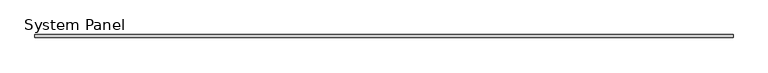
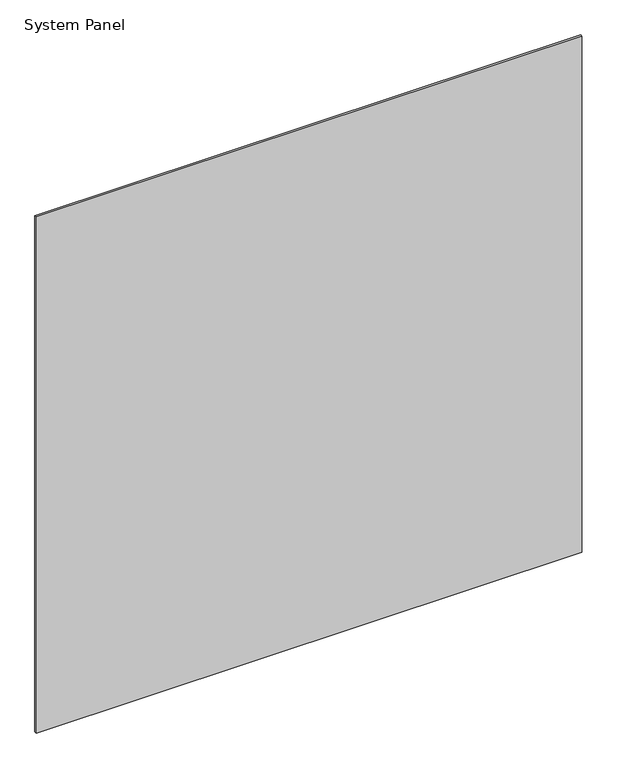
"""IFC4 building model written with IfcOpenShell, lengths in millimetres: plate geometry, System Panel."""

import ifcopenshell
import ifcopenshell.guid

model = None  # the IFC model being written
_history = None  # IfcOwnerHistory: only IFC2X3 demands one
_inside = {}  # id of a spatial element -> (the spatial element, [elements in it])
_under = {}  # id of a project, library or spatial element -> (it, [spatial elements below it])
_declared = {}  # id of a project -> (the project, [libraries it declares])
_typed = {}  # id of a type object -> (the type object, [elements of that type])
_made_of = {}  # id of a material, layer set ... -> (it, [elements and type objects made of it])


def new_model(schema):
    """Start an empty IFC model of exactly this schema.

    Asked for "IFC4X3", IfcOpenShell would pick the latest addendum, in which some entities
    have other attributes; the version numbers below select the first issue.
    IFC2X3 requires an IfcOwnerHistory on every rooted entity: one is made here for all.
    """
    global model, _history
    if schema == "IFC4X3":
        model = ifcopenshell.file(schema_version=(4, 3, 0, 0))
    else:
        model = ifcopenshell.file(schema=schema)
    _inside.clear()
    _under.clear()
    _declared.clear()
    _typed.clear()
    _made_of.clear()
    _history = None
    if model.schema == "IFC2X3":
        org = make("IfcOrganization", Name="unknown")
        user = make(
            "IfcPersonAndOrganization",
            ThePerson=make("IfcPerson", FamilyName="unknown"),
            TheOrganization=org,
        )
        app = make(
            "IfcApplication",
            ApplicationDeveloper=org,
            Version="unknown",
            ApplicationFullName="unknown",
            ApplicationIdentifier="unknown",
        )
        _history = make(
            "IfcOwnerHistory",
            OwningUser=user,
            OwningApplication=app,
            ChangeAction="ADDED",
            CreationDate=0,
        )
    return model


def make(cls, **values):
    """One entity of the class cls with the attributes given. An attribute that is None is left unset."""
    return model.create_entity(
        cls, **{name: value for name, value in values.items() if value is not None}
    )


def rooted(cls, **values):
    """An entity with a GlobalId (a new one), such as an element, a storey or a relation."""
    return make(cls, GlobalId=ifcopenshell.guid.new(), OwnerHistory=_history, **values)


def si_unit(unit_type, name, prefix=None):
    """IfcSIUnit, for example si_unit("LENGTHUNIT", "METRE", prefix="MILLI")."""
    return make("IfcSIUnit", UnitType=unit_type, Prefix=prefix, Name=name)


def assignment(units):
    """IfcUnitAssignment: the units of a project."""
    return None if units is None else make("IfcUnitAssignment", Units=units)


def point(xyz):
    """IfcCartesianPoint."""
    return None if xyz is None else make("IfcCartesianPoint", Coordinates=xyz)


def direction(xyz):
    """IfcDirection."""
    return None if xyz is None else make("IfcDirection", DirectionRatios=xyz)


def frame(location, z_axis=None, x_axis=None):
    """IfcAxis2Placement3D, a coordinate frame: its origin and axes. An axis left out is left unset."""
    return make(
        "IfcAxis2Placement3D",
        Location=point(location),
        Axis=direction(z_axis),
        RefDirection=direction(x_axis),
    )


def origin():
    """The frame at (0, 0, 0) with its axes left unset."""
    return frame((0.0, 0.0, 0.0))


def origin_with_axes():
    """The frame at (0, 0, 0) with the z axis (0, 0, 1) and the x axis (1, 0, 0) written out."""
    return frame((0.0, 0.0, 0.0), z_axis=(0.0, 0.0, 1.0), x_axis=(1.0, 0.0, 0.0))


def place(relative_to, where):
    """IfcLocalPlacement: puts the frame where relative to a parent placement (None: the world)."""
    return make(
        "IfcLocalPlacement", PlacementRelTo=relative_to, RelativePlacement=where
    )


def context(
    kind, dimensions, precision=None, world=None, true_north=None, identifier=None
):
    """IfcGeometricRepresentationContext, for example the 3D "Model" context."""
    return make(
        "IfcGeometricRepresentationContext",
        ContextIdentifier=identifier,
        ContextType=kind,
        CoordinateSpaceDimension=dimensions,
        Precision=precision,
        WorldCoordinateSystem=world,
        TrueNorth=true_north,
    )


def project(units=None, contexts=None):
    """IfcProject with its units and contexts."""
    return rooted(
        "IfcProject",
        Name="project",
        RepresentationContexts=contexts,
        UnitsInContext=assignment(units),
    )


def spatial(cls, under=None, at=None, **own):
    """A site, building, storey or space (cls), placed at a placement, below another one or the project."""
    s = rooted(cls, ObjectPlacement=at, **own)
    if under is not None:
        _under.setdefault(under.id(), (under, []))[1].append(s)
    return s


def polyline(points):
    """IfcPolyline through the points."""
    return make("IfcPolyline", Points=[point(p) for p in points])


def outline(outer, holes=None, kind="AREA"):
    """IfcArbitraryClosedProfileDef: a profile drawn as a closed curve; with holes, ...WithVoids."""
    if holes is None:
        return make("IfcArbitraryClosedProfileDef", ProfileType=kind, OuterCurve=outer)
    return make(
        "IfcArbitraryProfileDefWithVoids",
        ProfileType=kind,
        OuterCurve=outer,
        InnerCurves=holes,
    )


def extrude(swept, where, along, depth):
    """IfcExtrudedAreaSolid: the profile swept, set in the frame where, extruded along a direction by depth."""
    return make(
        "IfcExtrudedAreaSolid",
        SweptArea=swept,
        Position=where,
        ExtrudedDirection=direction(along),
        Depth=depth,
    )


def shape(context_of_items, identifier, shape_type, items):
    """IfcShapeRepresentation: the items that make up one representation, for example the "Body"."""
    return make(
        "IfcShapeRepresentation",
        ContextOfItems=context_of_items,
        RepresentationIdentifier=identifier,
        RepresentationType=shape_type,
        Items=items,
    )


def source(mapping_origin, context_of_items, identifier, shape_type, items):
    """IfcRepresentationMap: a shape defined once, which mapped items show again and again."""
    return make(
        "IfcRepresentationMap",
        MappingOrigin=mapping_origin,
        MappedRepresentation=shape(context_of_items, identifier, shape_type, items),
    )


def transform(
    local_origin,
    x_axis=None,
    y_axis=None,
    z_axis=None,
    scale=None,
    scale2=None,
    scale3=None,
    uniform=True,
):
    """IfcCartesianTransformationOperator3D, or its non-uniform kind. x_axis, y_axis, z_axis: its Axis1, 2, 3."""
    if uniform:
        return make(
            "IfcCartesianTransformationOperator3D",
            Axis1=direction(x_axis),
            Axis2=direction(y_axis),
            LocalOrigin=point(local_origin),
            Scale=scale,
            Axis3=direction(z_axis),
        )
    return make(
        "IfcCartesianTransformationOperator3DnonUniform",
        Axis1=direction(x_axis),
        Axis2=direction(y_axis),
        LocalOrigin=point(local_origin),
        Scale=scale,
        Axis3=direction(z_axis),
        Scale2=scale2,
        Scale3=scale3,
    )


def mapped(mapping_source, mapping_target):
    """IfcMappedItem: shows the shape of a source again, moved by a transform."""
    return make(
        "IfcMappedItem", MappingSource=mapping_source, MappingTarget=mapping_target
    )


def made_of(thing, what):
    """Note that an element or type object is made of a material, layer set ...; save() writes the relation."""
    if what is not None:
        _made_of.setdefault(what.id(), (what, []))[1].append(thing)
    return thing


def element(
    cls,
    number,
    at=None,
    inside=None,
    cuts=None,
    type_object=None,
    material=None,
    context=None,
    identifier="Body",
    shape_type=None,
    held_by="IfcProductDefinitionShape",
    body=None,
    shapes=None,
    **own,
):
    """One element of the class cls, such as IfcWall. Its Tag is "e" and its number.

    at: its placement. inside: the storey or other place that contains it. cuts: it is an
    opening in that element (IfcRelVoidsElement). A single representation is given by context,
    identifier, shape_type and body (its items); several are given by shapes. held_by: the class
    of the entity that holds the representations. save() writes the other relations.
    """
    e = rooted(cls, Tag="e%d" % number, ObjectPlacement=at, **own)
    if body is not None:
        shapes = [shape(context, identifier, shape_type, body)]
    if shapes is not None:
        e.Representation = make(held_by, Representations=shapes)
    if inside is not None:
        _inside.setdefault(inside.id(), (inside, []))[1].append(e)
    if cuts is not None:
        rooted(
            "IfcRelVoidsElement", RelatingBuildingElement=cuts, RelatedOpeningElement=e
        )
    if type_object is not None:
        _typed.setdefault(type_object.id(), (type_object, []))[1].append(e)
    return made_of(e, material)


def aggregate(whole, parts):
    """IfcRelAggregates: a whole, such as a stair, and the parts it consists of."""
    return rooted("IfcRelAggregates", RelatingObject=whole, RelatedObjects=parts)


def save(model, path):
    """Write the relations noted so far, then the file.

    IfcRelAggregates (storeys below a building ...), IfcRelContainedInSpatialStructure (elements
    in a storey), IfcRelDefinesByType, IfcRelAssociatesMaterial and IfcRelDeclares: one each for
    every whole, place, type object, material and project.
    """
    for whole, parts in _under.values():
        aggregate(whole, parts)
    for where, things in _inside.values():
        rooted(
            "IfcRelContainedInSpatialStructure",
            RelatedElements=things,
            RelatingStructure=where,
        )
    for kind, things in _typed.values():
        rooted("IfcRelDefinesByType", RelatedObjects=things, RelatingType=kind)
    for what, things in _made_of.values():
        rooted("IfcRelAssociatesMaterial", RelatedObjects=things, RelatingMaterial=what)
    for by, libraries in _declared.values():
        rooted("IfcRelDeclares", RelatingContext=by, RelatedDefinitions=libraries)
    model.write(path)


def system_panel_6659272a(model_context):
    return source(origin(), model_context, "Body", "SweptSolid", [
        extrude(outline(polyline([(728.6681673, -12.8), (-728.6681673, -12.8), (-728.6681673, -6.4), (728.6681673, -6.4), (728.6681673, -12.8)])), origin_with_axes(), (0.0, 0.0, 1.0), 1457.3363346),
    ])


if __name__ == "__main__":
    model = new_model("IFC4")
    model_context = context("Model", 3, world=origin())
    ifc_project = project(units=[si_unit("LENGTHUNIT", "METRE", prefix="MILLI")], contexts=[model_context])
    site = spatial("IfcSite", under=ifc_project)
    building = spatial("IfcBuilding", under=site)
    placement = place(None, origin())
    system_panel_shape = system_panel_6659272a(model_context)
    element("IfcPlate", 1, ObjectType="System Panel", at=placement, inside=building, context=model_context, shape_type="MappedRepresentation", body=[
        mapped(system_panel_shape, transform((0.0, 0.0, 0.0), x_axis=(1.0, 0.0, 0.0), y_axis=(0.0, 1.0, 0.0), z_axis=(0.0, 0.0, 1.0))),
    ])
    save(model, "model.ifc")
